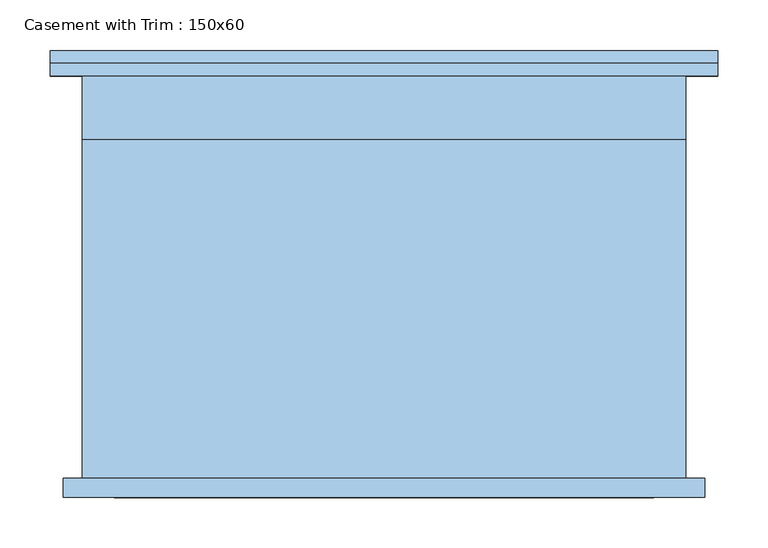
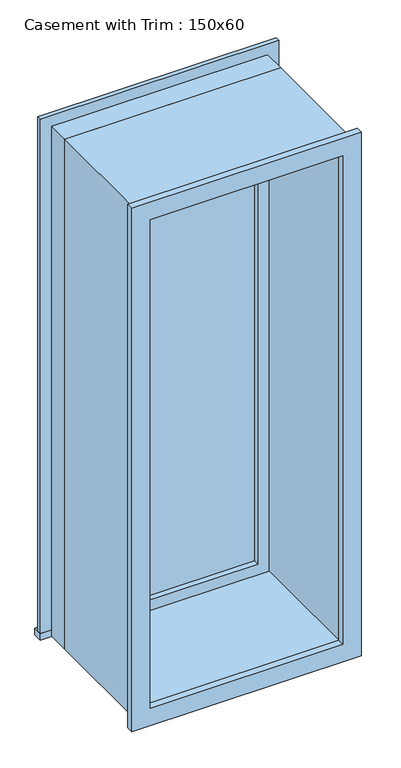
"""IFC4 building model written with IfcOpenShell, lengths in millimetres: window geometry, Casement with Trim : 150x60."""

from ifc_helpers import new_model, si_unit, frame, origin, place, context, project, spatial, polyline, outline, extrude, source, transform, mapped, element, save


def casement_with_trim_150x60_ede40832(model_context):
    return source(origin(), model_context, "Body", "SweptSolid", [
        extrude(outline(polyline([(-331.75, 225.4), (331.75, 225.4), (331.75, 200.0), (-331.75, 200.0), (-331.75, 225.4)])), frame((0.0, 0.0, 914.4), z_axis=(0.0, 0.0, 1.0), x_axis=(1.0, 0.0, 0.0)), (0.0, 0.0, 1.0), 19.05),
        extrude(outline(polyline([(2395.35, -280.95), (2395.35, 280.95), (933.45, 280.95), (933.45, 331.75), (2446.15, 331.75), (2446.15, -331.75), (933.45, -331.75), (933.45, -280.95), (2395.35, -280.95)])), frame((0.0, 200.0, 0.0), z_axis=(0.0, 1.0, 0.0), x_axis=(0.0, 0.0, 1.0)), (0.0, 0.0, 1.0), 12.7),
        extrude(outline(polyline([(2433.45, 319.05), (2433.45, -319.05), (895.35, -319.05), (895.35, 319.05), (2433.45, 319.05)]), holes=[polyline([(2382.65, 268.25), (946.15, 268.25), (946.15, -268.25), (2382.65, -268.25), (2382.65, 268.25)])]), frame((0.0, -219.05, 0.0), z_axis=(0.0, 1.0, 0.0), x_axis=(0.0, 0.0, 1.0)), (0.0, 0.0, 1.0), 19.05),
        extrude(outline(polyline([(236.5, 152.375), (-236.5, 152.375), (-236.5, 165.075), (236.5, 165.075), (236.5, 152.375)])), frame((0.0, 0.0, 977.9), z_axis=(0.0, 0.0, 1.0), x_axis=(1.0, 0.0, 0.0)), (0.0, 0.0, 1.0), 1373.0),
        extrude(outline(polyline([(2395.35, -280.95), (933.45, -280.95), (933.45, 280.95), (2395.35, 280.95), (2395.35, -280.95)]), holes=[polyline([(2350.9, -236.5), (2350.9, 236.5), (977.9, 236.5), (977.9, -236.5), (2350.9, -236.5)])]), frame((0.0, 136.5, 0.0), z_axis=(0.0, 1.0, 0.0), x_axis=(0.0, 0.0, 1.0)), (0.0, 0.0, 1.0), 44.45),
        extrude(outline(polyline([(2414.4, -300.0), (914.4, -300.0), (914.4, 300.0), (2414.4, 300.0), (2414.4, -300.0)]), holes=[polyline([(2382.65, -268.25), (2382.65, 268.25), (946.15, 268.25), (946.15, -268.25), (2382.65, -268.25)])]), frame((0.0, -200.0, 0.0), z_axis=(0.0, 1.0, 0.0), x_axis=(0.0, 0.0, 1.0)), (0.0, 0.0, 1.0), 336.5),
        extrude(outline(polyline([(2414.4, 300.0), (2414.4, -300.0), (914.4, -300.0), (914.4, 300.0), (2414.4, 300.0)]), holes=[polyline([(2395.35, 280.95), (933.45, 280.95), (933.45, -280.95), (2395.35, -280.95), (2395.35, 280.95)])]), frame((0.0, 136.5, 0.0), z_axis=(0.0, 1.0, 0.0), x_axis=(0.0, 0.0, 1.0)), (0.0, 0.0, 1.0), 63.5),
    ])


if __name__ == "__main__":
    model = new_model("IFC4")
    model_context = context("Model", 3, world=origin())
    ifc_project = project(units=[si_unit("LENGTHUNIT", "METRE", prefix="MILLI")], contexts=[model_context])
    site = spatial("IfcSite", under=ifc_project)
    building = spatial("IfcBuilding", under=site)
    placement = place(None, origin())
    casement_with_trim_150x60_shape = casement_with_trim_150x60_ede40832(model_context)
    element("IfcWindow", 1, ObjectType="Casement with Trim : 150x60", at=placement, inside=building, context=model_context, shape_type="MappedRepresentation", body=[
        mapped(casement_with_trim_150x60_shape, transform((0.0, 0.0, 0.0), x_axis=(1.0, 0.0, 0.0), y_axis=(0.0, 1.0, 0.0), z_axis=(0.0, 0.0, 1.0))),
    ])
    save(model, "model.ifc")
